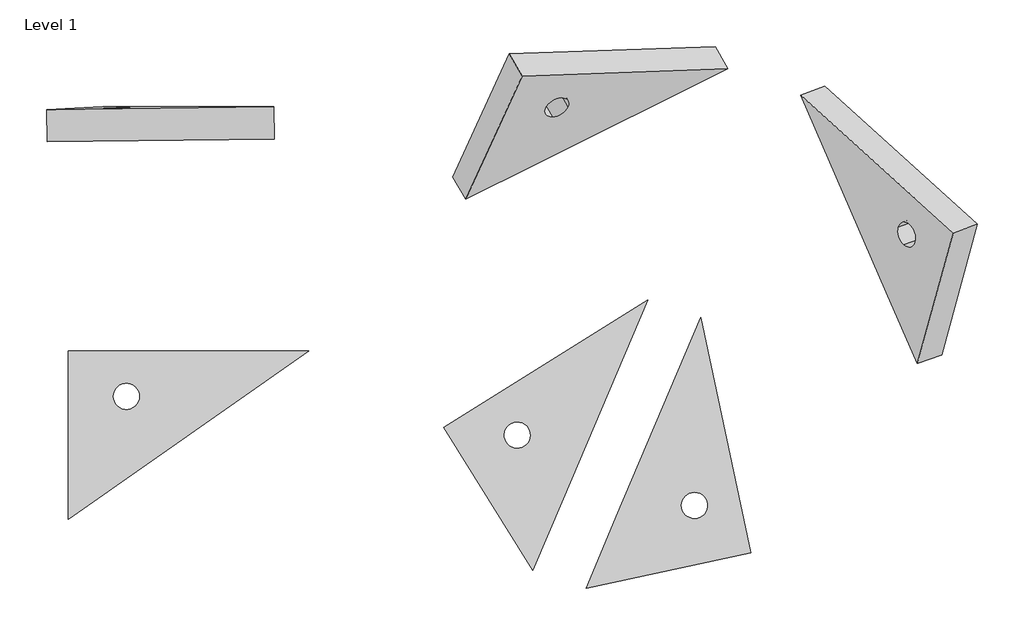
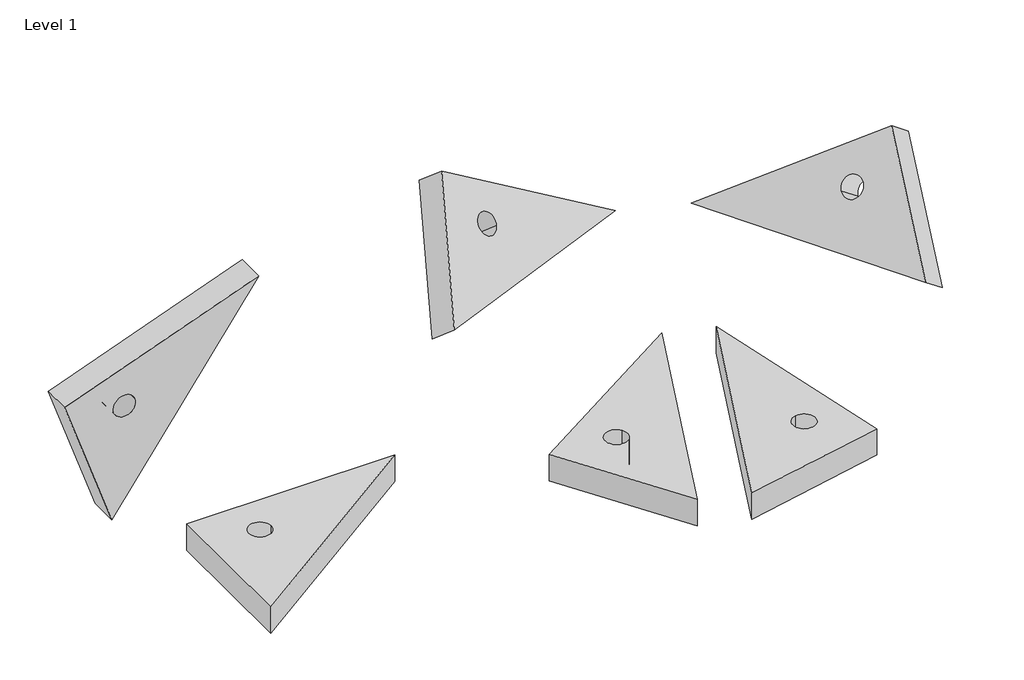
# One storey: 6 proxies.
"""IFC4 building model written with IfcOpenShell, lengths in millimetres."""

from ifc_helpers import new_model, si_unit, point, frame, frame_2d, origin, origin_with_axes, place, context, project, spatial, polyline, circle_curve, trimmed, segment, composite_curve, outline, extrude, element, save
from ifc_brep_helpers import plane_surface, revolved_surface, advanced_brep

model = new_model("IFC4")

# Units and contexts
model_context = context("Model", 3, world=origin())
ifc_project = project(units=[si_unit("LENGTHUNIT", "METRE", prefix="MILLI")], contexts=[model_context])

# Site, building, storey
site = spatial("IfcSite", under=ifc_project)
building = spatial("IfcBuilding", under=site)
storey = spatial("IfcBuildingStorey", under=building, Name="Level 1", Elevation=0.0)

# Proxies
placement = place(None, origin())
element("IfcBuildingElementProxy", 1, Name="Generic Models 1 : Generic Models 1", ObjectType="Generic Models 1 : Generic Models 1", at=placement, inside=storey, context=model_context, shape_type="SweptSolid", body=[
    extrude(outline(polyline([(506.5461347, 2887.032419), (506.5461347, 4187.032419), (2363.1385434, 4187.032419), (506.5461347, 2887.032419)]), holes=[composite_curve([segment(trimmed(circle_curve(frame_2d((956.5461347, 3837.032419)), 100.0), [point((856.5461347, 3837.032419))], [point((1056.5461347, 3837.032419))], True, "CARTESIAN"), True, "CONTINUOUS"), segment(trimmed(circle_curve(frame_2d((956.5461347, 3837.032419)), 100.0), [point((1056.5461347, 3837.032419))], [point((856.5461347, 3837.032419))], True, "CARTESIAN"), True, "CONTINUOUS")], self_intersect=False)]), origin_with_axes(), (0.0, 0.0, 1.0), 250.0),
])
element("IfcBuildingElementProxy", 2, Name="Generic Models 2 : Generic Models 1", ObjectType="Generic Models 2 : Generic Models 1", at=placement, inside=storey, context=model_context, shape_type="AdvancedBrep", body=[
    advanced_brep(
    [(4092.050032, 2493.8791148, 250.0), (4326.4887091, 3046.1820269, 250.0), (4977.6346461, 4580.1857231, 250.0), (3403.1549885, 3596.3416398, 250.0), (4055.0531839, 3590.9804015, 250.0), (4023.2403007, 3453.1836655, 250.0), (3885.4435646, 3484.9965487, 250.0), (4092.050032, 2493.8791148, 0.0), (3403.1549885, 3596.3416398, 0.0), (4977.6346461, 4580.1857231, 0.0), (4326.4887091, 3046.1820269, 0.0), (4055.0531839, 3590.9804015, 0.0), (3885.4435646, 3484.9965487, 0.0), (4023.2403007, 3453.1836655, 0.0)],
    [
        (0, 1),
        (1, 2),
        (2, 3),
        (3, 0),
        (4, 5, circle_curve(frame((3970.2483743, 3537.9884751, 250.0), z_axis=(0.0, 0.0, -1.0), x_axis=(-0.8480480961564245, -0.5299192642332073, 0.0)), 100.0)),
        (5, 6, circle_curve(frame((3970.2483743, 3537.9884751, 250.0), z_axis=(0.0, 0.0, -1.0), x_axis=(0.8480480961564345, 0.5299192642331916, 0.0)), 100.0)),
        (6, 4, circle_curve(frame((3970.2483743, 3537.9884751, 250.0), z_axis=(0.0, 0.0, -1.0), x_axis=(0.8480480961564295, 0.5299192642331995, 0.0)), 100.0)),
        (7, 8),
        (8, 9),
        (9, 10),
        (10, 7),
        (11, 12, circle_curve(frame((3970.2483743, 3537.9884751, 0.0), z_axis=(0.0, 0.0, 1.0), x_axis=(0.8480480961564295, 0.5299192642331995, 0.0)), 100.0)),
        (12, 13, circle_curve(frame((3970.2483743, 3537.9884751, 0.0), z_axis=(0.0, 0.0, 1.0), x_axis=(0.8480480961564345, 0.5299192642331916, 0.0)), 100.0)),
        (13, 11, circle_curve(frame((3970.2483743, 3537.9884751, 0.0), z_axis=(0.0, 0.0, 1.0), x_axis=(-0.8480480961564245, -0.5299192642332073, 0.0)), 100.0)),
        (2, 9),
        (8, 3),
        (7, 0),
        (4, 11),
        (13, 5),
        (12, 6),
    ],
    [
        plane_surface(frame((4092.050032, 2493.8791148, 250.0), z_axis=(0.0, 0.0, 1.0), x_axis=(0.39073112848928016, 0.9205048534524376, 0.0))),
        plane_surface(frame((4092.050032, 2493.8791148, 0.0), z_axis=(0.0, 0.0, -1.0), x_axis=(-0.39073112848928016, -0.9205048534524376, 0.0))),
        plane_surface(frame((4977.6346461, 4580.1857231, 250.0), z_axis=(-0.5299192642331965, 0.8480480961564314, 0.0), x_axis=(0.0, 0.0, -1.0))),
        plane_surface(frame((3403.1549885, 3596.3416398, 250.0), z_axis=(-0.8480480961564304, -0.529919264233198, 0.0), x_axis=(0.0, 0.0, -1.0))),
        plane_surface(frame((4326.4887091, 3046.1820269, 250.0), z_axis=(0.9205048534524376, -0.39073112848928043, 0.0), x_axis=(0.0, 0.0, -1.0))),
        revolved_surface(polyline([(3885.443564684357, 3484.996548676679, 0.0), (3885.443564684357, 3484.996548676679, 250.0)]), (3970.2483743, 3537.9884751, 0.0), (0.0, 0.0, -1.0)),
        revolved_surface(polyline([(4055.0531839156433, 3590.980401523319, 0.0), (4055.0531839156433, 3590.980401523319, 250.0)]), (3970.2483743, 3537.9884751, 0.0), (0.0, 0.0, -1.0)),
        revolved_surface(polyline([(4055.053183915643, 3590.98040152332, 0.0), (4055.053183915643, 3590.98040152332, 250.0)]), (3970.2483743, 3537.9884751, 0.0), (0.0, 0.0, -1.0)),
    ],
    [
        (0, [[1, 2, 3, 4], [5, 6, 7]]),
        (1, [[8, 9, 10, 11], [12, 13, 14]]),
        (2, [[-3, 15, -9, 16]]),
        (3, [[-4, -16, -8, 17]]),
        (4, [[-2, -1, -17, -11, -10, -15]]),
        (5, [[-5, 18, -14, 19]]),
        (6, [[-6, -19, -13, 20]]),
        (7, [[-7, -20, -12, -18]]),
    ],
),
])
element("IfcBuildingElementProxy", 3, Name="Generic Models 3 : Generic Models 1", ObjectType="Generic Models 3 : Generic Models 1", at=placement, inside=storey, context=model_context, shape_type="SweptSolid", body=[
    extrude(outline(polyline([(0.0, 0.0), (2266.4808343, 0.0), (745.6493672, -1064.8976576), (0.0, 0.0)]), holes=[composite_curve([segment(trimmed(circle_curve(frame_2d((913.5160344, -520.0850458)), 100.0), [point((831.60083, -577.4426894))], [point((995.4312388, -462.7274021))], True, "CARTESIAN"), True, "CONTINUOUS"), segment(trimmed(circle_curve(frame_2d((913.5160344, -520.0850458)), 100.0), [point((995.4312388, -462.7274021))], [point((831.60083, -577.4426894))], True, "CARTESIAN"), True, "CONTINUOUS")], self_intersect=False)]), frame((778.5900429, 5822.5172134, -798.7920893), z_axis=(-0.016928079747893097, 0.9997928725186354, 0.011298326291301092), x_axis=(0.5809608412998808, 0.0006386227946891793, 0.8139312581766723)), (0.0, 0.0, 1.0), 250.0),
])
element("IfcBuildingElementProxy", 4, Name="Generic Models 4 : Generic Models 1", ObjectType="Generic Models 4 : Generic Models 1", at=placement, inside=storey, context=model_context, shape_type="AdvancedBrep", body=[
    advanced_brep(
    [(3573.6009573, 5359.4446166, 295.9480703), (4108.8111229, 5626.0195792, 246.0695389), (5595.3402619, 6366.4230227, 107.5335112), (4008.6656399, 6309.050226, 1069.8782407), (4361.57195, 6070.3833893, 576.4258343), (4242.6437797, 5994.2465836, 568.72667), (4190.6486376, 6064.2029486, 680.0936857), (3474.3444162, 5530.0070486, 142.4664888), (3909.4090988, 6479.6126579, 916.3966592), (5496.0837208, 6536.9854546, -45.9480703), (4009.5545818, 5796.5820112, 92.5879574), (4262.3154089, 6240.9458212, 422.9442528), (4091.3920965, 6234.7653805, 526.6121042), (4143.3872387, 6164.8090155, 415.2450884)],
    [
        (0, 1),
        (1, 2),
        (2, 3),
        (3, 0),
        (4, 5, circle_curve(frame((4276.1102938, 6067.293169, 628.25976), z_axis=(-0.39702616432494253, 0.6822497276628084, -0.6139263261544072), x_axis=(-0.8546165623099989, -0.030902203639162164, 0.5183392568923209)), 100.0)),
        (5, 6, circle_curve(frame((4276.1102938, 6067.293169, 628.25976), z_axis=(-0.3970261643249426, 0.6822497276628083, -0.6139263261544073), x_axis=(0.8546165623099927, 0.03090220363914851, -0.5183392568923321)), 100.0)),
        (6, 4, circle_curve(frame((4276.1102938, 6067.293169, 628.25976), z_axis=(-0.3970261643249425, 0.6822497276628084, -0.6139263261544072), x_axis=(0.8546165623099959, 0.030902203639155343, -0.5183392568923265)), 100.0)),
        (7, 8),
        (8, 9),
        (9, 10),
        (10, 7),
        (11, 12, circle_curve(frame((4176.8537527, 6237.8556009, 474.7781785), z_axis=(0.3970261643249425, -0.6822497276628084, 0.6139263261544072), x_axis=(0.8546165623099959, 0.030902203639155343, -0.5183392568923265)), 100.0)),
        (12, 13, circle_curve(frame((4176.8537527, 6237.8556009, 474.7781785), z_axis=(0.3970261643249426, -0.6822497276628083, 0.6139263261544073), x_axis=(0.8546165623099927, 0.03090220363914851, -0.5183392568923321)), 100.0)),
        (13, 11, circle_curve(frame((4176.8537527, 6237.8556009, 474.7781785), z_axis=(0.39702616432494253, -0.6822497276628084, 0.6139263261544072), x_axis=(-0.8546165623099989, -0.030902203639162164, 0.5183392568923209)), 100.0)),
        (2, 9),
        (8, 3),
        (7, 0),
        (4, 11),
        (13, 5),
        (12, 6),
    ],
    [
        plane_surface(frame((3573.6009573, 5359.4446166, 295.9480703), z_axis=(0.3970261643249425, -0.6822497276628084, 0.6139263261544072), x_axis=(0.8920169427592191, 0.44429160432620823, -0.08313088569081939))),
        plane_surface(frame((3474.3444162, 5530.0070486, 142.4664888), z_axis=(-0.3970261643249425, 0.6822497276628084, -0.6139263261544072), x_axis=(-0.8920169427592191, -0.44429160432620823, 0.08313088569081939))),
        plane_surface(frame((5595.3402619, 6366.4230227, 107.5335112), z_axis=(0.3346651405014731, 0.7304658533526863, 0.5953309002721606), x_axis=(-0.3970261643249419, 0.6822497276628084, -0.6139263261544076))),
        plane_surface(frame((4008.6656399, 6309.050226, 1069.8782407), z_axis=(-0.8546165623099948, -0.030902203639154496, 0.5183392568923283), x_axis=(-0.39702616432494364, 0.6822497276628077, -0.6139263261544073))),
        plane_surface(frame((4108.8111229, 5626.0195792, 246.0695389), z_axis=(0.2160462882623067, -0.5806378212184155, -0.7849737077754975), x_axis=(-0.3970261643249419, 0.6822497276628083, -0.6139263261544077))),
        revolved_surface(polyline([(4091.392096469, 6234.765380536084, 526.6121041892321), (4190.648637555841, 6064.20294861075, 680.093685736501)]), (4176.8537527, 6237.8556009, 474.7781785), (-0.3970261643249424, 0.6822497276628083, -0.6139263261544071)),
        revolved_surface(polyline([(4262.315408930999, 6240.945821263916, 422.94425281076684), (4361.571950018816, 6070.383389336905, 576.4258343595448)]), (4176.8537527, 6237.8556009, 474.7781785), (-0.3970261643249426, 0.6822497276628083, -0.6139263261544073)),
        revolved_surface(polyline([(4262.315408930999, 6240.945821263916, 422.94425281076735), (4361.571950018816, 6070.383389336905, 576.4258343595453)]), (4176.8537527, 6237.8556009, 474.7781785), (-0.3970261643249426, 0.6822497276628086, -0.6139263261544073)),
    ],
    [
        (0, [[1, 2, 3, 4], [5, 6, 7]]),
        (1, [[8, 9, 10, 11], [12, 13, 14]]),
        (2, [[-3, 15, -9, 16]]),
        (3, [[-4, -16, -8, 17]]),
        (4, [[-2, -1, -17, -11, -10, -15]]),
        (5, [[-5, 18, -14, 19]]),
        (6, [[-6, -19, -13, 20]]),
        (7, [[-7, -20, -12, -18]]),
    ],
),
])
element("IfcBuildingElementProxy", 5, Name="Generic Models 5 : Generic Models 1", ObjectType="Generic Models 5 : Generic Models 1", at=placement, inside=storey, context=model_context, shape_type="AdvancedBrep", body=[
    advanced_brep(
    [(7056.5421426, 4091.7576975, 295.9480703), (7333.6579798, 5098.8519851, 1069.8782407), (6155.0732255, 6162.6968848, 107.5335112), (6817.8984523, 4639.9924293, 246.0695389), (6909.9039766, 5142.8663846, 576.4258343), (7036.8661196, 5028.2645049, 680.0936857), (6952.0684452, 5008.0966534, 568.72667), (7242.2124822, 4158.6152259, 142.4664888), (7003.5687919, 4706.8499577, 92.5879574), (6340.7435651, 6229.5544132, -45.9480703), (7519.3283195, 5165.7095135, 916.3966592), (7095.5743162, 5209.723913, 422.9442528), (7137.7387849, 5074.9541818, 415.2450884), (7222.5364592, 5095.1220333, 526.6121042)],
    [
        (0, 1),
        (1, 2),
        (2, 3),
        (3, 0),
        (4, 5, circle_curve(frame((6973.3850481, 5085.5654448, 628.25976), z_axis=(0.7426813586076336, 0.26743011354608487, -0.6139263261544076), x_axis=(-0.6348107149437565, 0.5730093986636765, -0.5183392568923262)), 100.0)),
        (5, 6, circle_curve(frame((6973.3850481, 5085.5654448, 628.25976), z_axis=(0.7426813586076336, 0.2674301135460847, -0.6139263261544075), x_axis=(-0.6348107149437584, 0.5730093986636693, -0.5183392568923317)), 100.0)),
        (6, 4, circle_curve(frame((6973.3850481, 5085.5654448, 628.25976), z_axis=(0.7426813586076335, 0.2674301135460848, -0.6139263261544075), x_axis=(0.6348107149437544, -0.5730093986636837, 0.5183392568923205)), 100.0)),
        (7, 8),
        (8, 9),
        (9, 10),
        (10, 7),
        (11, 12, circle_curve(frame((7159.0553877, 5152.4229732, 474.7781785), z_axis=(-0.7426813586076335, -0.2674301135460848, 0.6139263261544075), x_axis=(0.6348107149437544, -0.5730093986636837, 0.5183392568923205)), 100.0)),
        (12, 13, circle_curve(frame((7159.0553877, 5152.4229732, 474.7781785), z_axis=(-0.7426813586076336, -0.2674301135460847, 0.6139263261544075), x_axis=(-0.6348107149437584, 0.5730093986636693, -0.5183392568923317)), 100.0)),
        (13, 11, circle_curve(frame((7159.0553877, 5152.4229732, 474.7781785), z_axis=(-0.7426813586076336, -0.26743011354608487, 0.6139263261544076), x_axis=(-0.6348107149437565, 0.5730093986636765, -0.5183392568923262)), 100.0)),
        (2, 9),
        (7, 0),
        (1, 10),
        (6, 12),
        (11, 4),
        (5, 13),
    ],
    [
        plane_surface(frame((7333.6579798, 5098.8519851, 1069.8782407), z_axis=(-0.7426813586076335, -0.2674301135460847, 0.6139263261544075), x_axis=(0.21316602864742795, 0.7746879135573382, 0.5953309002721613))),
        plane_surface(frame((7519.3283195, 5165.7095135, 916.3966592), z_axis=(0.7426813586076335, 0.2674301135460847, -0.6139263261544075), x_axis=(-0.21316602864742795, -0.7746879135573382, -0.5953309002721613))),
        plane_surface(frame((6817.8984523, 4639.9924293, 246.0695389), z_axis=(-0.5387278557744046, -0.3059224991952992, -0.784973707775499), x_axis=(0.7426813586076355, 0.2674301135460842, -0.6139263261544053))),
        plane_surface(frame((7333.6579798, 5098.8519851, 1069.8782407), z_axis=(0.2131660286474263, 0.7746879135573387, 0.5953309002721613), x_axis=(0.7426813586076324, 0.2674301135460868, -0.613926326154408))),
        plane_surface(frame((7056.5421426, 4091.7576975, 295.9480703), z_axis=(0.6348107149437577, -0.5730093986636746, 0.5183392568923266), x_axis=(0.7426813586076326, 0.2674301135460847, -0.6139263261544087))),
        revolved_surface(polyline([(7222.536459254479, 5095.122033355275, 526.6121041395479), (7036.866119545373, 5028.264504948158, 680.0936857254316)]), (7159.0553877, 5152.4229732, 474.7781785), (0.7426813586076335, 0.2674301135460848, -0.6139263261544075)),
        revolved_surface(polyline([(7095.574316265728, 5209.72391308801, 422.9442527610826), (6909.903976556622, 5142.866384680893, 576.4258343469663)]), (7159.0553877, 5152.4229732, 474.7781785), (0.7426813586076337, 0.26743011354608476, -0.6139263261544076)),
        revolved_surface(polyline([(7095.574316205624, 5209.723913066368, 422.9442528107674), (6909.903976585896, 5142.866384691435, 576.4258343227682)]), (7159.0553877, 5152.4229732, 474.7781785), (0.7426813586076337, 0.2674301135460849, -0.6139263261544077)),
    ],
    [
        (0, [[1, 2, 3, 4], [5, 6, 7]]),
        (1, [[8, 9, 10, 11], [12, 13, 14]]),
        (2, [[-4, -3, 15, -9, -8, 16]]),
        (3, [[-2, 17, -10, -15]]),
        (4, [[-1, -16, -11, -17]]),
        (5, [[-7, 18, -12, 19]]),
        (6, [[-6, 20, -13, -18]]),
        (7, [[-5, -19, -14, -20]]),
    ],
),
])
element("IfcBuildingElementProxy", 6, Name="Generic Models 6 : Generic Models 1", ObjectType="Generic Models 6 : Generic Models 1", at=placement, inside=storey, context=model_context, shape_type="AdvancedBrep", body=[
    advanced_brep(
    [(4501.0553661, 2357.8788238, 250.0), (5772.6472471, 2628.1640218, 250.0), (5386.6399802, 4444.185432, 250.0), (4735.4940432, 2910.1817358, 250.0), (5315.9441569, 3093.3761104, 250.0), (5357.526495, 2897.7465903, 250.0), (5238.9205659, 2974.7701813, 250.0), (4501.0553661, 2357.8788238, 0.0), (4735.4940432, 2910.1817358, 0.0), (5386.6399802, 4444.185432, 0.0), (5772.6472471, 2628.1640218, 0.0), (5315.9441569, 3093.3761104, 0.0), (5238.9205659, 2974.7701813, 0.0), (5357.526495, 2897.7465903, 0.0)],
    [
        (0, 1),
        (1, 2),
        (2, 3),
        (3, 0),
        (4, 5, circle_curve(frame((5336.7353259, 2995.5613504, 250.0), z_axis=(0.0, 0.0, -1.0), x_axis=(-0.2079116908177514, 0.9781476007338074, 0.0)), 100.0)),
        (5, 6, circle_curve(frame((5336.7353259, 2995.5613504, 250.0), z_axis=(0.0, 0.0, -1.0), x_axis=(-0.20791169081776062, 0.9781476007338055, 0.0)), 100.0)),
        (6, 4, circle_curve(frame((5336.7353259, 2995.5613504, 250.0), z_axis=(0.0, 0.0, -1.0), x_axis=(0.20791169081774225, -0.9781476007338092, 0.0)), 100.0)),
        (7, 8),
        (8, 9),
        (9, 10),
        (10, 7),
        (11, 12, circle_curve(frame((5336.7353259, 2995.5613504, 0.0), z_axis=(0.0, 0.0, 1.0), x_axis=(0.20791169081774225, -0.9781476007338092, 0.0)), 100.0)),
        (12, 13, circle_curve(frame((5336.7353259, 2995.5613504, 0.0), z_axis=(0.0, 0.0, 1.0), x_axis=(-0.20791169081776062, 0.9781476007338055, 0.0)), 100.0)),
        (13, 11, circle_curve(frame((5336.7353259, 2995.5613504, 0.0), z_axis=(0.0, 0.0, 1.0), x_axis=(-0.2079116908177514, 0.9781476007338074, 0.0)), 100.0)),
        (2, 9),
        (7, 0),
        (1, 10),
        (6, 12),
        (11, 4),
        (5, 13),
    ],
    [
        plane_surface(frame((5772.6472471, 2628.1640218, 250.0), z_axis=(0.0, 0.0, 1.0000000000000002), x_axis=(0.9781476007338072, 0.20791169081775213, 0.0))),
        plane_surface(frame((5772.6472471, 2628.1640218, 0.0), z_axis=(0.0, 0.0, -1.0000000000000002), x_axis=(-0.9781476007338072, -0.20791169081775213, 0.0))),
        plane_surface(frame((4735.4940432, 2910.1817358, 250.0), z_axis=(-0.920504853452437, 0.3907311284892815, 0.0), x_axis=(0.0, 0.0, -1.0))),
        plane_surface(frame((5772.6472471, 2628.1640218, 250.0), z_axis=(0.9781476007338068, 0.2079116908177539, 0.0), x_axis=(0.0, 0.0, -1.0))),
        plane_surface(frame((4501.0553661, 2357.8788238, 250.0), z_axis=(0.20791169081775213, -0.9781476007338072, 0.0), x_axis=(0.0, 0.0, -1.0))),
        revolved_surface(polyline([(5357.526494981775, 2897.746590326619, 0.0), (5357.526494981775, 2897.746590326619, 250.0)]), (5336.7353259, 2995.5613504, 0.0), (0.0, 0.0, -1.0)),
        revolved_surface(polyline([(5315.944156818224, 3093.3761104733803, 0.0), (5315.944156818224, 3093.3761104733803, 250.0000000000001)]), (5336.7353259, 2995.5613504, 0.0), (0.0, 0.0, -1.0000000000000002)),
        revolved_surface(polyline([(5315.944156818225, 3093.3761104733803, 0.0), (5315.944156818225, 3093.3761104733803, 250.0)]), (5336.7353259, 2995.5613504, 0.0), (0.0, 0.0, -1.0)),
    ],
    [
        (0, [[1, 2, 3, 4], [5, 6, 7]]),
        (1, [[8, 9, 10, 11], [12, 13, 14]]),
        (2, [[-4, -3, 15, -9, -8, 16]]),
        (3, [[-2, 17, -10, -15]]),
        (4, [[-1, -16, -11, -17]]),
        (5, [[-7, 18, -12, 19]]),
        (6, [[-6, 20, -13, -18]]),
        (7, [[-5, -19, -14, -20]]),
    ],
),
])

save(model, "model.ifc")
